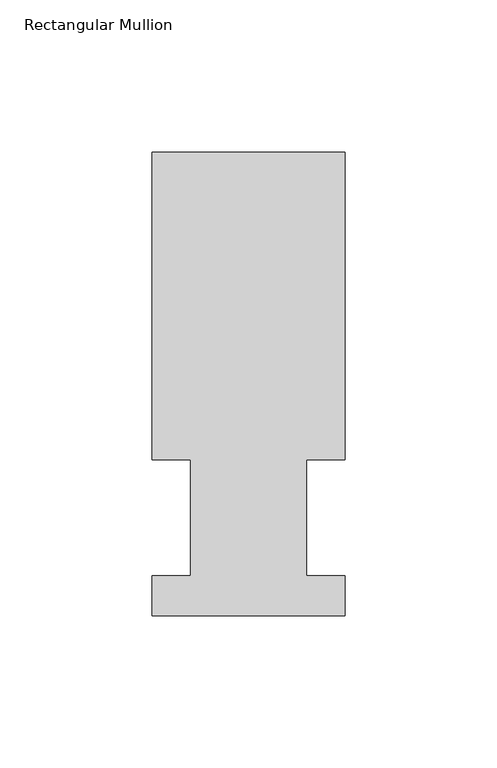
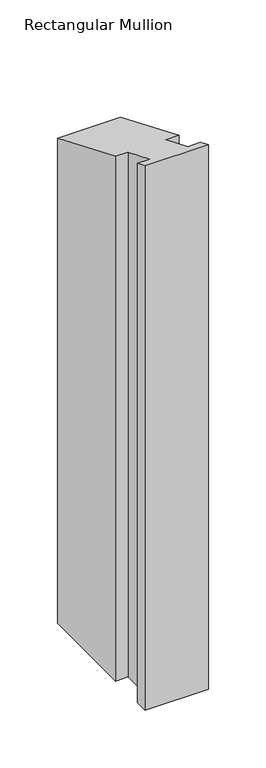
"""IFC4 building model written with IfcOpenShell, lengths in millimetres: member geometry, Rectangular Mullion."""

from ifc_helpers import new_model, si_unit, origin, place, context, project, spatial, faceted_brep, source, transform, mapped, element, save


def rectangular_mullion_38acd9ba(model_context):
    return source(origin(), model_context, "Body", "Brep", [
        faceted_brep([(-63.5, 152.4896937, -577.837333), (0.0127, 152.4896937, -577.837333), (0.0127, 51.2960937, -577.837333), (-12.6873, 51.2960938, -577.837333), (-12.6873, 13.1960937, -577.837333), (0.0, 13.1960937, -577.837333), (0.0, 0.0134937, -577.837333), (-63.5, 0.0134937, -577.837333), (-63.5, 13.1960937, -577.837333), (-50.8000001, 13.1960937, -577.837333), (-50.8000001, 51.2960937, -577.837333), (-63.5, 51.2960937, -577.837333), (-63.5, 51.2960937, -21.2475377), (-63.5, 152.4896937, -63.1632993), (-50.8000001, 51.2960937, -21.2475377), (-50.8000001, 13.1960937, -5.466001), (-63.5, 13.1960937, -5.466001), (-63.5, 0.0134937, -0.0055893), (0.0, 0.0134937, -0.0055893), (0.0, 13.1960937, -5.466001), (-12.6873, 13.1960937, -5.466001), (-12.6873, 51.2960938, -21.2475377), (0.0127, 51.2960937, -21.2475377), (0.0127, 152.4896937, -63.1632993)], [[[0, 1, 2, 3, 4, 5, 6, 7, 8, 9, 10, 11]], [[12, 13, 0, 11]], [[14, 12, 11, 10]], [[15, 14, 10, 9]], [[16, 15, 9, 8]], [[17, 16, 8, 7]], [[18, 17, 7, 6]], [[19, 18, 6, 5]], [[20, 19, 5, 4]], [[21, 20, 4, 3]], [[22, 21, 3, 2]], [[23, 22, 2, 1]], [[13, 23, 1, 0]], [[13, 12, 14, 15, 16, 17, 18, 19, 20, 21, 22, 23]]]),
    ])


if __name__ == "__main__":
    model = new_model("IFC4")
    model_context = context("Model", 3, world=origin())
    ifc_project = project(units=[si_unit("LENGTHUNIT", "METRE", prefix="MILLI")], contexts=[model_context])
    site = spatial("IfcSite", under=ifc_project)
    building = spatial("IfcBuilding", under=site)
    placement = place(None, origin())
    rectangular_mullion_shape = rectangular_mullion_38acd9ba(model_context)
    element("IfcMember", 1, ObjectType="Rectangular Mullion", at=placement, inside=building, context=model_context, shape_type="MappedRepresentation", body=[
        mapped(rectangular_mullion_shape, transform((0.0, 0.0, 0.0), x_axis=(1.0, 0.0, 0.0), y_axis=(0.0, 1.0, 0.0), z_axis=(0.0, 0.0, 1.0))),
    ])
    save(model, "model.ifc")
